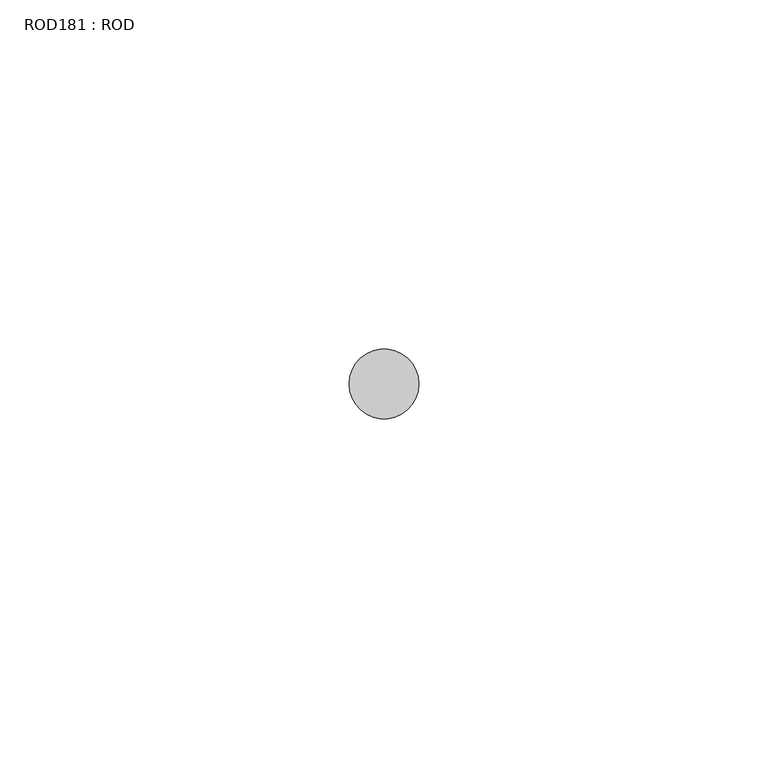
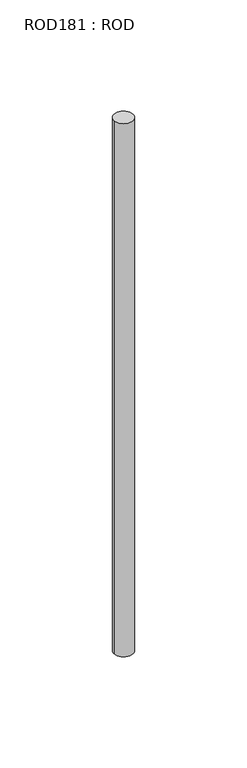
"""IFC4 building model written with IfcOpenShell, lengths in millimetres: proxy geometry, ROD181 : ROD."""

from ifc_helpers import new_model, si_unit, point, frame, frame_2d, origin, place, context, project, spatial, circle_curve, trimmed, segment, composite_curve, outline, extrude, source, transform, mapped, element, save


def rod181_rod_cc4376bb(model_context):
    return source(origin(), model_context, "Body", "SweptSolid", [
        extrude(outline(composite_curve([segment(trimmed(circle_curve(frame_2d((8999.7673324, -21568.1048728)), 5.0), [point((8994.7673324, -21568.1048728))], [point((9004.7673324, -21568.1048728))], False, "CARTESIAN"), True, "CONTINUOUS"), segment(trimmed(circle_curve(frame_2d((8999.7673324, -21568.1048728)), 5.0), [point((9004.7673324, -21568.1048728))], [point((8994.7673324, -21568.1048728))], False, "CARTESIAN"), True, "CONTINUOUS")], self_intersect=False)), frame((0.0, 0.0, 166.3391155), z_axis=(0.0, 0.0, 1.0), x_axis=(1.0, 0.0, 0.0)), (0.0, 0.0, 1.0), 298.9028972),
    ])


if __name__ == "__main__":
    model = new_model("IFC4")
    model_context = context("Model", 3, world=origin())
    ifc_project = project(units=[si_unit("LENGTHUNIT", "METRE", prefix="MILLI")], contexts=[model_context])
    site = spatial("IfcSite", under=ifc_project)
    building = spatial("IfcBuilding", under=site)
    placement = place(None, origin())
    rod181_rod_shape = rod181_rod_cc4376bb(model_context)
    element("IfcBuildingElementProxy", 1, Name="ROD181 : ROD", ObjectType="ROD181 : ROD", at=placement, inside=building, context=model_context, shape_type="MappedRepresentation", body=[
        mapped(rod181_rod_shape, transform((0.0, 0.0, 0.0), x_axis=(1.0, 0.0, 0.0), y_axis=(0.0, 1.0, 0.0), z_axis=(0.0, 0.0, 1.0))),
    ])
    save(model, "model.ifc")
